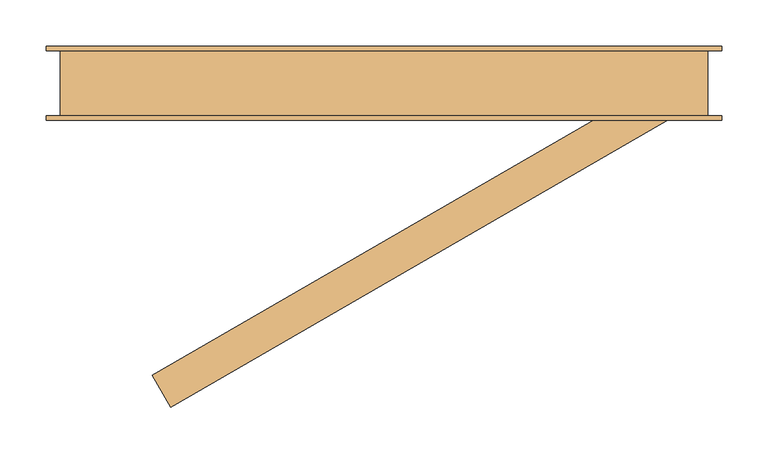
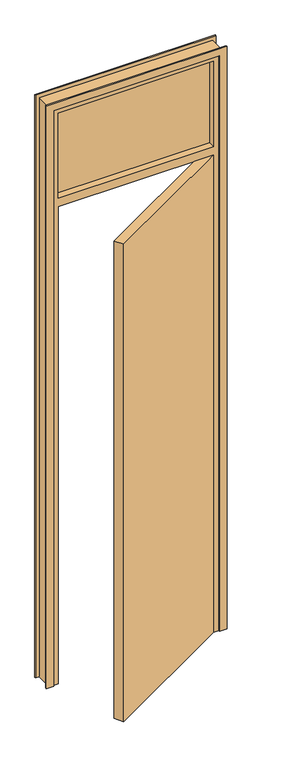
"""IFC4 building model written with IfcOpenShell, lengths in millimetres: door geometry."""

from ifc_helpers import new_model, si_unit, frame, origin, origin_with_axes, place, context, project, spatial, polyline, outline, extrude, faceted_brep, source, transform, mapped, element, save


def door_99862275(model_context):
    return source(origin(), model_context, "Body", "SolidModel", [
        extrude(outline(polyline([(-285.5960044, -315.3589838), (260.0, -0.3589838), (280.0, -35.0), (-265.5960044, -350.0), (-285.5960044, -315.3589838)])), origin_with_axes(), (0.0, 0.0, 1.0), 2040.0),
        extrude(outline(polyline([(0.0, -400.0), (0.0, -370.0), (2460.0, -370.0), (2460.0, 300.0), (0.0, 300.0), (0.0, 330.0), (2490.0, 330.0), (2490.0, -400.0), (0.0, -400.0)])), frame((0.0, -40.0, 0.0), z_axis=(0.0, 1.0, 0.0), x_axis=(0.0, 0.0, 1.0)), (0.0, 0.0, 1.0), 5.0),
        extrude(outline(polyline([(0.0, -400.0), (0.0, -370.0), (2460.0, -370.0), (2460.0, 300.0), (0.0, 300.0), (0.0, 330.0), (2490.0, 330.0), (2490.0, -400.0), (0.0, -400.0)])), frame((0.0, 35.0, 0.0), z_axis=(0.0, 1.0, 0.0), x_axis=(0.0, 0.0, 1.0)), (0.0, 0.0, 1.0), 5.0),
        extrude(outline(polyline([(280.0, -6.0), (-350.0, -6.0), (-350.0, 6.0), (280.0, 6.0), (280.0, -6.0)])), frame((0.0, 0.0, 2075.0), z_axis=(0.0, 0.0, 1.0), x_axis=(1.0, 0.0, 0.0)), (0.0, 0.0, 1.0), 365.0),
        faceted_brep([(-385.0, -35.0, 0.0), (-385.0, 35.0, 0.0), (-335.0, 35.0, 0.0), (-335.0, 5.0, 0.0), (-350.0, 5.0, 0.0), (-350.0, -35.0, 0.0), (-385.0, -35.0, 2475.0), (-385.0, 35.0, 2475.0), (315.0, 35.0, 2475.0), (315.0, 35.0, 0.0), (265.0, 35.0, 0.0), (265.0, 35.0, 2025.0), (-335.0, 35.0, 2025.0), (-350.0, 35.0, 2075.0), (280.0, 35.0, 2075.0), (280.0, 35.0, 2440.0), (-350.0, 35.0, 2440.0), (-335.0, 5.0, 2025.0), (265.0, 5.0, 2025.0), (265.0, 5.0, 0.0), (280.0, 5.0, 0.0), (280.0, 5.0, 2040.0), (-350.0, 5.0, 2040.0), (-350.0, -35.0, 2040.0), (280.0, -35.0, 2040.0), (280.0, -35.0, 0.0), (315.0, -35.0, 0.0), (315.0, -35.0, 2475.0), (280.0, -35.0, 2075.0), (-350.0, -35.0, 2075.0), (-350.0, -35.0, 2440.0), (280.0, -35.0, 2440.0)], [[[0, 1, 2, 3, 4, 5]], [[1, 0, 6, 7]], [[2, 1, 7, 8, 9, 10, 11, 12], [13, 14, 15, 16]], [[3, 2, 12, 17]], [[4, 3, 17, 18, 19, 20, 21, 22]], [[5, 4, 22, 23]], [[6, 0, 5, 23, 24, 25, 26, 27], [28, 29, 30, 31]], [[9, 8, 27, 26]], [[10, 9, 26, 25, 20, 19]], [[11, 10, 19, 18]], [[21, 20, 25, 24]], [[6, 27, 8, 7]], [[28, 31, 15, 14]], [[31, 30, 16, 15]], [[30, 29, 13, 16]], [[14, 13, 29, 28]], [[12, 11, 18, 17]], [[22, 21, 24, 23]]]),
    ])


if __name__ == "__main__":
    model = new_model("IFC4")
    model_context = context("Model", 3, world=origin())
    ifc_project = project(units=[si_unit("LENGTHUNIT", "METRE", prefix="MILLI")], contexts=[model_context])
    site = spatial("IfcSite", under=ifc_project)
    building = spatial("IfcBuilding", under=site)
    placement = place(None, origin())
    door_shape = door_99862275(model_context)
    element("IfcDoor", 1, at=placement, inside=building, context=model_context, shape_type="MappedRepresentation", body=[
        mapped(door_shape, transform((0.0, 0.0, 0.0), x_axis=(1.0, 0.0, 0.0), y_axis=(0.0, 1.0, 0.0), z_axis=(0.0, 0.0, 1.0))),
    ])
    save(model, "model.ifc")
